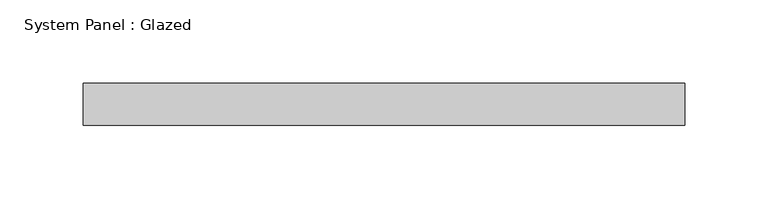
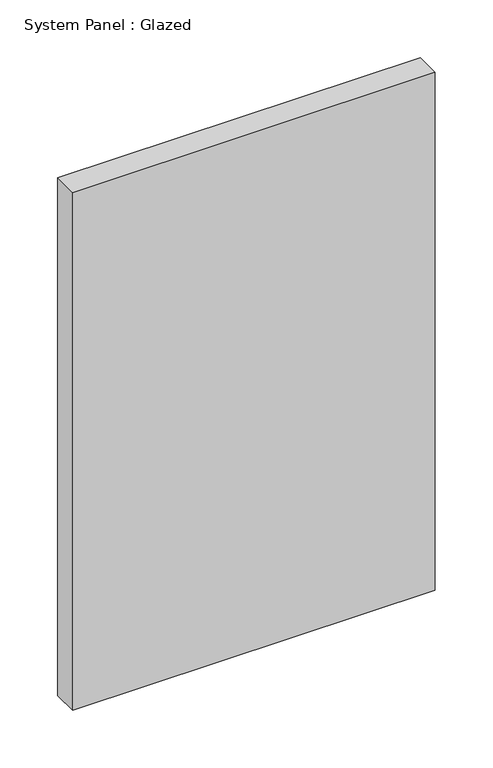
"""IFC4 building model written with IfcOpenShell, lengths in millimetres: plate geometry, System Panel : Glazed."""

from ifc_helpers import new_model, si_unit, origin, origin_with_axes, place, context, project, spatial, polyline, outline, extrude, source, transform, mapped, element, save


def system_panel_glazed_83946488(model_context):
    return source(origin(), model_context, "Body", "SweptSolid", [
        extrude(outline(polyline([(180.975, 19.05), (-180.975, 19.05), (-180.975, 44.45), (180.975, 44.45), (180.975, 19.05)])), origin_with_axes(), (0.0, 0.0, 1.0), 546.1),
    ])


if __name__ == "__main__":
    model = new_model("IFC4")
    model_context = context("Model", 3, world=origin())
    ifc_project = project(units=[si_unit("LENGTHUNIT", "METRE", prefix="MILLI")], contexts=[model_context])
    site = spatial("IfcSite", under=ifc_project)
    building = spatial("IfcBuilding", under=site)
    placement = place(None, origin())
    system_panel_glazed_shape = system_panel_glazed_83946488(model_context)
    element("IfcPlate", 1, ObjectType="System Panel : Glazed", at=placement, inside=building, context=model_context, shape_type="MappedRepresentation", body=[
        mapped(system_panel_glazed_shape, transform((0.0, 0.0, 0.0), x_axis=(1.0, 0.0, 0.0), y_axis=(0.0, 1.0, 0.0), z_axis=(0.0, 0.0, 1.0))),
    ])
    save(model, "model.ifc")
